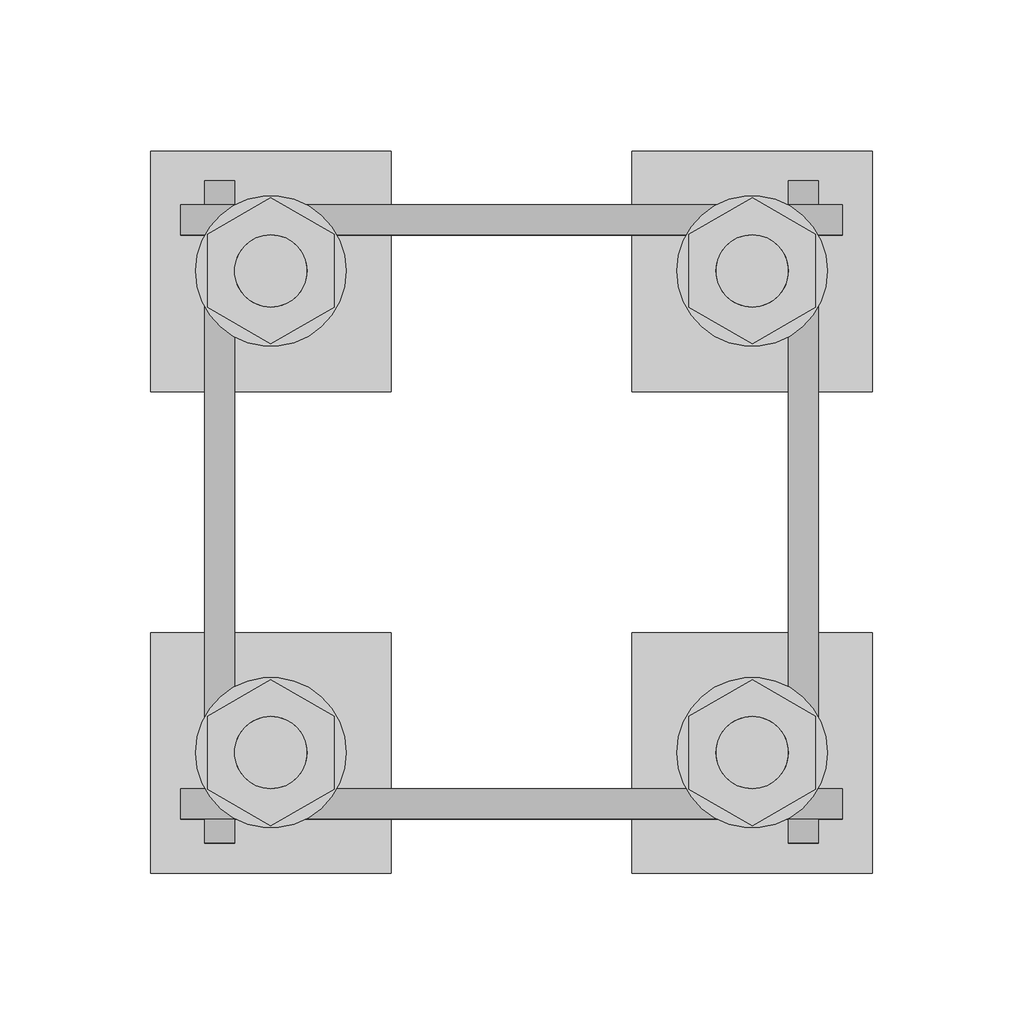
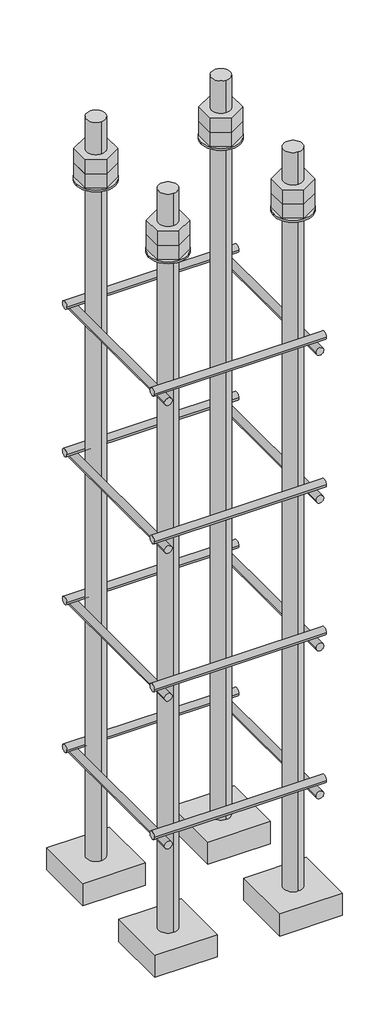
# One storey, part 10 of 66: 1 fastener.
"""IFC4 building model written with IfcOpenShell, lengths in millimetres."""

from ifc_helpers import new_model, si_unit, point, frame, frame_2d, origin, place, context, project, spatial, polyline, circle_curve, trimmed, segment, composite_curve, outline, extrude, element, save
from ifc_brep_helpers import plane_surface, cylinder_surface, advanced_brep

model = new_model("IFC4")

# Units and contexts
model_context = context("Model", 3, world=origin())
ifc_project = project(units=[si_unit("LENGTHUNIT", "METRE", prefix="MILLI")], contexts=[model_context])

# Site, building, storey
site = spatial("IfcSite", under=ifc_project)
building = spatial("IfcBuilding", under=site)
storey = spatial("IfcBuildingStorey", under=building, Elevation=9070.0)

# Fastener
placement = place(None, origin())
element("IfcFastener", 1, ObjectType="AU1 : AU-01", at=placement, inside=storey, context=model_context, shape_type="SolidModel", body=[
    extrude(outline(composite_curve([segment(trimmed(circle_curve(frame_2d((26703.0, 8395.0)), 5.0), [point((26698.0, 8395.0))], [point((26708.0, 8395.0))], False, "CARTESIAN"), True, "CONTINUOUS"), segment(trimmed(circle_curve(frame_2d((26703.0, 8395.0)), 5.0), [point((26708.0, 8395.0))], [point((26698.0, 8395.0))], False, "CARTESIAN"), True, "CONTINUOUS")], self_intersect=False)), frame((9890.0, 0.0, 0.0), z_axis=(1.0, 0.0, 0.0), x_axis=(0.0, 1.0, 0.0)), (0.0, 0.0, 1.0), 220.0),
    extrude(outline(composite_curve([segment(trimmed(circle_curve(frame_2d((26897.0, 8395.0)), 5.0), [point((26902.0, 8395.0))], [point((26892.0, 8395.0))], False, "CARTESIAN"), True, "CONTINUOUS"), segment(trimmed(circle_curve(frame_2d((26897.0, 8395.0)), 5.0), [point((26892.0, 8395.0))], [point((26902.0, 8395.0))], False, "CARTESIAN"), True, "CONTINUOUS")], self_intersect=False)), frame((9890.0, 0.0, 0.0), z_axis=(1.0, 0.0, 0.0), x_axis=(0.0, 1.0, 0.0)), (0.0, 0.0, 1.0), 220.0),
    extrude(outline(composite_curve([segment(trimmed(circle_curve(frame_2d((8385.0, 9903.0)), 5.0), [point((8385.0, 9898.0))], [point((8385.0, 9908.0))], False, "CARTESIAN"), True, "CONTINUOUS"), segment(trimmed(circle_curve(frame_2d((8385.0, 9903.0)), 5.0), [point((8385.0, 9908.0))], [point((8385.0, 9898.0))], False, "CARTESIAN"), True, "CONTINUOUS")], self_intersect=False)), frame((0.0, 26690.0, 0.0), z_axis=(0.0, 1.0, 0.0), x_axis=(0.0, 0.0, 1.0)), (0.0, 0.0, 1.0), 220.0),
    extrude(outline(composite_curve([segment(trimmed(circle_curve(frame_2d((8385.0, 10097.0)), 5.0), [point((8385.0, 10102.0))], [point((8385.0, 10092.0))], False, "CARTESIAN"), True, "CONTINUOUS"), segment(trimmed(circle_curve(frame_2d((8385.0, 10097.0)), 5.0), [point((8385.0, 10092.0))], [point((8385.0, 10102.0))], False, "CARTESIAN"), True, "CONTINUOUS")], self_intersect=False)), frame((0.0, 26690.0, 0.0), z_axis=(0.0, 1.0, 0.0), x_axis=(0.0, 0.0, 1.0)), (0.0, 0.0, 1.0), 220.0),
    extrude(outline(composite_curve([segment(trimmed(circle_curve(frame_2d((26703.0, 8595.0)), 5.0), [point((26698.0, 8595.0))], [point((26708.0, 8595.0))], False, "CARTESIAN"), True, "CONTINUOUS"), segment(trimmed(circle_curve(frame_2d((26703.0, 8595.0)), 5.0), [point((26708.0, 8595.0))], [point((26698.0, 8595.0))], False, "CARTESIAN"), True, "CONTINUOUS")], self_intersect=False)), frame((9890.0, 0.0, 0.0), z_axis=(1.0, 0.0, 0.0), x_axis=(0.0, 1.0, 0.0)), (0.0, 0.0, 1.0), 220.0),
    extrude(outline(composite_curve([segment(trimmed(circle_curve(frame_2d((26897.0, 8595.0)), 5.0), [point((26902.0, 8595.0))], [point((26892.0, 8595.0))], False, "CARTESIAN"), True, "CONTINUOUS"), segment(trimmed(circle_curve(frame_2d((26897.0, 8595.0)), 5.0), [point((26892.0, 8595.0))], [point((26902.0, 8595.0))], False, "CARTESIAN"), True, "CONTINUOUS")], self_intersect=False)), frame((9890.0, 0.0, 0.0), z_axis=(1.0, 0.0, 0.0), x_axis=(0.0, 1.0, 0.0)), (0.0, 0.0, 1.0), 220.0),
    extrude(outline(composite_curve([segment(trimmed(circle_curve(frame_2d((8585.0, 9903.0)), 5.0), [point((8585.0, 9898.0))], [point((8585.0, 9908.0))], False, "CARTESIAN"), True, "CONTINUOUS"), segment(trimmed(circle_curve(frame_2d((8585.0, 9903.0)), 5.0), [point((8585.0, 9908.0))], [point((8585.0, 9898.0))], False, "CARTESIAN"), True, "CONTINUOUS")], self_intersect=False)), frame((0.0, 26690.0, 0.0), z_axis=(0.0, 1.0, 0.0), x_axis=(0.0, 0.0, 1.0)), (0.0, 0.0, 1.0), 220.0),
    extrude(outline(composite_curve([segment(trimmed(circle_curve(frame_2d((8585.0, 10097.0)), 5.0), [point((8585.0, 10102.0))], [point((8585.0, 10092.0))], False, "CARTESIAN"), True, "CONTINUOUS"), segment(trimmed(circle_curve(frame_2d((8585.0, 10097.0)), 5.0), [point((8585.0, 10092.0))], [point((8585.0, 10102.0))], False, "CARTESIAN"), True, "CONTINUOUS")], self_intersect=False)), frame((0.0, 26690.0, 0.0), z_axis=(0.0, 1.0, 0.0), x_axis=(0.0, 0.0, 1.0)), (0.0, 0.0, 1.0), 220.0),
    extrude(outline(composite_curve([segment(trimmed(circle_curve(frame_2d((26703.0, 8795.0)), 5.0), [point((26698.0, 8795.0))], [point((26708.0, 8795.0))], False, "CARTESIAN"), True, "CONTINUOUS"), segment(trimmed(circle_curve(frame_2d((26703.0, 8795.0)), 5.0), [point((26708.0, 8795.0))], [point((26698.0, 8795.0))], False, "CARTESIAN"), True, "CONTINUOUS")], self_intersect=False)), frame((9890.0, 0.0, 0.0), z_axis=(1.0, 0.0, 0.0), x_axis=(0.0, 1.0, 0.0)), (0.0, 0.0, 1.0), 220.0),
    extrude(outline(composite_curve([segment(trimmed(circle_curve(frame_2d((26897.0, 8795.0)), 5.0), [point((26902.0, 8795.0))], [point((26892.0, 8795.0))], False, "CARTESIAN"), True, "CONTINUOUS"), segment(trimmed(circle_curve(frame_2d((26897.0, 8795.0)), 5.0), [point((26892.0, 8795.0))], [point((26902.0, 8795.0))], False, "CARTESIAN"), True, "CONTINUOUS")], self_intersect=False)), frame((9890.0, 0.0, 0.0), z_axis=(1.0, 0.0, 0.0), x_axis=(0.0, 1.0, 0.0)), (0.0, 0.0, 1.0), 220.0),
    extrude(outline(composite_curve([segment(trimmed(circle_curve(frame_2d((8785.0, 9903.0)), 5.0), [point((8785.0, 9898.0))], [point((8785.0, 9908.0))], False, "CARTESIAN"), True, "CONTINUOUS"), segment(trimmed(circle_curve(frame_2d((8785.0, 9903.0)), 5.0), [point((8785.0, 9908.0))], [point((8785.0, 9898.0))], False, "CARTESIAN"), True, "CONTINUOUS")], self_intersect=False)), frame((0.0, 26690.0, 0.0), z_axis=(0.0, 1.0, 0.0), x_axis=(0.0, 0.0, 1.0)), (0.0, 0.0, 1.0), 220.0),
    extrude(outline(composite_curve([segment(trimmed(circle_curve(frame_2d((8785.0, 10097.0)), 5.0), [point((8785.0, 10102.0))], [point((8785.0, 10092.0))], False, "CARTESIAN"), True, "CONTINUOUS"), segment(trimmed(circle_curve(frame_2d((8785.0, 10097.0)), 5.0), [point((8785.0, 10092.0))], [point((8785.0, 10102.0))], False, "CARTESIAN"), True, "CONTINUOUS")], self_intersect=False)), frame((0.0, 26690.0, 0.0), z_axis=(0.0, 1.0, 0.0), x_axis=(0.0, 0.0, 1.0)), (0.0, 0.0, 1.0), 220.0),
    extrude(outline(composite_curve([segment(trimmed(circle_curve(frame_2d((26703.0, 8995.0)), 5.0), [point((26698.0, 8995.0))], [point((26708.0, 8995.0))], False, "CARTESIAN"), True, "CONTINUOUS"), segment(trimmed(circle_curve(frame_2d((26703.0, 8995.0)), 5.0), [point((26708.0, 8995.0))], [point((26698.0, 8995.0))], False, "CARTESIAN"), True, "CONTINUOUS")], self_intersect=False)), frame((9890.0, 0.0, 0.0), z_axis=(1.0, 0.0, 0.0), x_axis=(0.0, 1.0, 0.0)), (0.0, 0.0, 1.0), 220.0),
    extrude(outline(composite_curve([segment(trimmed(circle_curve(frame_2d((26897.0, 8995.0)), 5.0), [point((26902.0, 8995.0))], [point((26892.0, 8995.0))], False, "CARTESIAN"), True, "CONTINUOUS"), segment(trimmed(circle_curve(frame_2d((26897.0, 8995.0)), 5.0), [point((26892.0, 8995.0))], [point((26902.0, 8995.0))], False, "CARTESIAN"), True, "CONTINUOUS")], self_intersect=False)), frame((9890.0, 0.0, 0.0), z_axis=(1.0, 0.0, 0.0), x_axis=(0.0, 1.0, 0.0)), (0.0, 0.0, 1.0), 220.0),
    extrude(outline(composite_curve([segment(trimmed(circle_curve(frame_2d((8985.0, 9903.0)), 5.0), [point((8985.0, 9898.0))], [point((8985.0, 9908.0))], False, "CARTESIAN"), True, "CONTINUOUS"), segment(trimmed(circle_curve(frame_2d((8985.0, 9903.0)), 5.0), [point((8985.0, 9908.0))], [point((8985.0, 9898.0))], False, "CARTESIAN"), True, "CONTINUOUS")], self_intersect=False)), frame((0.0, 26690.0, 0.0), z_axis=(0.0, 1.0, 0.0), x_axis=(0.0, 0.0, 1.0)), (0.0, 0.0, 1.0), 220.0),
    extrude(outline(composite_curve([segment(trimmed(circle_curve(frame_2d((8985.0, 10097.0)), 5.0), [point((8985.0, 10102.0))], [point((8985.0, 10092.0))], False, "CARTESIAN"), True, "CONTINUOUS"), segment(trimmed(circle_curve(frame_2d((8985.0, 10097.0)), 5.0), [point((8985.0, 10092.0))], [point((8985.0, 10102.0))], False, "CARTESIAN"), True, "CONTINUOUS")], self_intersect=False)), frame((0.0, 26690.0, 0.0), z_axis=(0.0, 1.0, 0.0), x_axis=(0.0, 0.0, 1.0)), (0.0, 0.0, 1.0), 220.0),
    advanced_brep(
    [(9960.0, 26920.0, 8250.0), (9880.0, 26920.0, 8250.0), (9880.0, 26840.0, 8250.0), (9960.0, 26840.0, 8250.0), (9920.0, 26868.0, 8250.0), (9920.0, 26892.0, 8250.0), (9960.0, 26920.0, 8220.0), (9960.0, 26840.0, 8220.0), (9880.0, 26840.0, 8220.0), (9880.0, 26920.0, 8220.0), (9920.0, 26892.0, 9250.0), (9920.0, 26868.0, 9250.0)],
    [
        (0, 1),
        (1, 2),
        (2, 3),
        (3, 0),
        (4, 5, circle_curve(frame((9920.0, 26880.0, 8250.0), z_axis=(0.0, 0.0, -1.0), x_axis=(0.0, -1.0, 0.0)), 12.0)),
        (5, 4, circle_curve(frame((9920.0, 26880.0, 8250.0), z_axis=(0.0, 0.0, -1.0), x_axis=(0.0, -1.0, 0.0)), 12.0)),
        (6, 7),
        (7, 8),
        (8, 9),
        (9, 6),
        (0, 6),
        (9, 1),
        (8, 2),
        (7, 3),
        (10, 11, circle_curve(frame((9920.0, 26880.0, 9250.0), z_axis=(0.0, 0.0, 1.0), x_axis=(0.0, -1.0, 0.0)), 12.0)),
        (11, 10, circle_curve(frame((9920.0, 26880.0, 9250.0), z_axis=(0.0, 0.0, 1.0), x_axis=(0.0, -1.0, 0.0)), 12.0)),
        (10, 5),
        (4, 11),
    ],
    [
        plane_surface(frame((9880.0, 26920.0, 8250.0), z_axis=(0.0, 0.0, 1.0), x_axis=(-1.0, 0.0, 0.0))),
        plane_surface(frame((9880.0, 26920.0, 8220.0), z_axis=(0.0, 0.0, -1.0), x_axis=(1.0, 0.0, 0.0))),
        plane_surface(frame((9960.0, 26920.0, 8250.0), z_axis=(0.0, 1.0, 0.0), x_axis=(0.0, 0.0, -1.0))),
        plane_surface(frame((9880.0, 26920.0, 8250.0), z_axis=(-1.0, 0.0, 0.0), x_axis=(0.0, 0.0, -1.0))),
        plane_surface(frame((9880.0, 26840.0, 8250.0), z_axis=(0.0, -1.0, 0.0), x_axis=(0.0, 0.0, -1.0))),
        plane_surface(frame((9960.0, 26840.0, 8250.0), z_axis=(1.0, 0.0, 0.0), x_axis=(0.0, 0.0, -1.0))),
        plane_surface(frame((9920.0, 26880.0, 9250.0), z_axis=(0.0, 0.0, 1.0), x_axis=(0.0, -1.0, 0.0))),
        cylinder_surface(frame((9920.0, 26880.0, 9250.0), z_axis=(0.0, 0.0, 1.0), x_axis=(0.0, -1.0, 0.0)), 12.0),
    ],
    [
        (0, [[1, 2, 3, 4], [5, 6]]),
        (1, [[7, 8, 9, 10]]),
        (2, [[-1, 11, -10, 12]]),
        (3, [[-2, -12, -9, 13]]),
        (4, [[-3, -13, -8, 14]]),
        (5, [[-4, -14, -7, -11]]),
        (6, [[15, 16]]),
        (7, [[-15, 17, -5, 18]]),
        (7, [[-16, -18, -6, -17]]),
    ],
),
    extrude(outline(composite_curve([segment(trimmed(circle_curve(frame_2d((9920.0, 26880.0)), 25.0), [point((9945.0, 26880.0))], [point((9895.0, 26880.0))], False, "CARTESIAN"), True, "CONTINUOUS"), segment(trimmed(circle_curve(frame_2d((9920.0, 26880.0)), 25.0), [point((9895.0, 26880.0))], [point((9945.0, 26880.0))], False, "CARTESIAN"), True, "CONTINUOUS")], self_intersect=False), holes=[composite_curve([segment(trimmed(circle_curve(frame_2d((9920.0, 26880.0)), 12.0), [point((9932.0, 26880.0))], [point((9908.0, 26880.0))], True, "CARTESIAN"), True, "CONTINUOUS"), segment(trimmed(circle_curve(frame_2d((9920.0, 26880.0)), 12.0), [point((9908.0, 26880.0))], [point((9932.0, 26880.0))], True, "CARTESIAN"), True, "CONTINUOUS")], self_intersect=False)]), frame((0.0, 0.0, 9165.0), z_axis=(0.0, 0.0, 1.0), x_axis=(1.0, 0.0, 0.0)), (0.0, 0.0, 1.0), 2.5),
    extrude(outline(polyline([(9920.0, 26904.2487113), (9941.0, 26892.1243557), (9941.0, 26867.8756443), (9920.0, 26855.7512887), (9899.0, 26867.8756443), (9899.0, 26892.1243557), (9920.0, 26904.2487113)]), holes=[composite_curve([segment(trimmed(circle_curve(frame_2d((9920.0, 26880.0)), 12.0), [point((9932.0, 26880.0))], [point((9908.0, 26880.0))], True, "CARTESIAN"), True, "CONTINUOUS"), segment(trimmed(circle_curve(frame_2d((9920.0, 26880.0)), 12.0), [point((9908.0, 26880.0))], [point((9932.0, 26880.0))], True, "CARTESIAN"), True, "CONTINUOUS")], self_intersect=False)]), frame((0.0, 0.0, 9187.0), z_axis=(0.0, 0.0, 1.0), x_axis=(1.0, 0.0, 0.0)), (0.0, 0.0, 1.0), 19.5),
    extrude(outline(polyline([(9920.0, 26904.2487113), (9941.0, 26892.1243557), (9941.0, 26867.8756443), (9920.0, 26855.7512887), (9899.0, 26867.8756443), (9899.0, 26892.1243557), (9920.0, 26904.2487113)]), holes=[composite_curve([segment(trimmed(circle_curve(frame_2d((9920.0, 26880.0)), 12.0), [point((9932.0, 26880.0))], [point((9908.0, 26880.0))], True, "CARTESIAN"), True, "CONTINUOUS"), segment(trimmed(circle_curve(frame_2d((9920.0, 26880.0)), 12.0), [point((9908.0, 26880.0))], [point((9932.0, 26880.0))], True, "CARTESIAN"), True, "CONTINUOUS")], self_intersect=False)]), frame((0.0, 0.0, 9167.5), z_axis=(0.0, 0.0, 1.0), x_axis=(1.0, 0.0, 0.0)), (0.0, 0.0, 1.0), 19.5),
    advanced_brep(
    [(10040.0, 26840.0, 8250.0), (10120.0, 26840.0, 8250.0), (10120.0, 26920.0, 8250.0), (10040.0, 26920.0, 8250.0), (10080.0, 26892.0, 8250.0), (10080.0, 26868.0, 8250.0), (10040.0, 26840.0, 8220.0), (10040.0, 26920.0, 8220.0), (10120.0, 26920.0, 8220.0), (10120.0, 26840.0, 8220.0), (10080.0, 26868.0, 9250.0), (10080.0, 26892.0, 9250.0)],
    [
        (0, 1),
        (1, 2),
        (2, 3),
        (3, 0),
        (4, 5, circle_curve(frame((10080.0, 26880.0, 8250.0), z_axis=(0.0, 0.0, -1.0), x_axis=(0.0, 1.0, 0.0)), 12.0)),
        (5, 4, circle_curve(frame((10080.0, 26880.0, 8250.0), z_axis=(0.0, 0.0, -1.0), x_axis=(0.0, 1.0, 0.0)), 12.0)),
        (6, 7),
        (7, 8),
        (8, 9),
        (9, 6),
        (0, 6),
        (9, 1),
        (8, 2),
        (7, 3),
        (10, 11, circle_curve(frame((10080.0, 26880.0, 9250.0), z_axis=(0.0, 0.0, 1.0), x_axis=(0.0, 1.0, 0.0)), 12.0)),
        (11, 10, circle_curve(frame((10080.0, 26880.0, 9250.0), z_axis=(0.0, 0.0, 1.0), x_axis=(0.0, 1.0, 0.0)), 12.0)),
        (10, 5),
        (4, 11),
    ],
    [
        plane_surface(frame((10120.0, 26840.0, 8250.0), z_axis=(0.0, 0.0, 1.0), x_axis=(1.0, 0.0, 0.0))),
        plane_surface(frame((10120.0, 26840.0, 8220.0), z_axis=(0.0, 0.0, -1.0), x_axis=(-1.0, 0.0, 0.0))),
        plane_surface(frame((10040.0, 26840.0, 8250.0), z_axis=(0.0, -1.0, 0.0), x_axis=(0.0, 0.0, -1.0))),
        plane_surface(frame((10120.0, 26840.0, 8250.0), z_axis=(1.0, 0.0, 0.0), x_axis=(0.0, 0.0, -1.0))),
        plane_surface(frame((10120.0, 26920.0, 8250.0), z_axis=(0.0, 1.0, 0.0), x_axis=(0.0, 0.0, -1.0))),
        plane_surface(frame((10040.0, 26920.0, 8250.0), z_axis=(-1.0, 0.0, 0.0), x_axis=(0.0, 0.0, -1.0))),
        plane_surface(frame((10080.0, 26880.0, 9250.0), z_axis=(0.0, 0.0, 1.0), x_axis=(0.0, 1.0, 0.0))),
        cylinder_surface(frame((10080.0, 26880.0, 9250.0), z_axis=(0.0, 0.0, 1.0), x_axis=(0.0, 1.0, 0.0)), 12.0),
    ],
    [
        (0, [[1, 2, 3, 4], [5, 6]]),
        (1, [[7, 8, 9, 10]]),
        (2, [[-1, 11, -10, 12]]),
        (3, [[-2, -12, -9, 13]]),
        (4, [[-3, -13, -8, 14]]),
        (5, [[-4, -14, -7, -11]]),
        (6, [[15, 16]]),
        (7, [[-15, 17, -5, 18]]),
        (7, [[-16, -18, -6, -17]]),
    ],
),
    extrude(outline(composite_curve([segment(trimmed(circle_curve(frame_2d((10080.0, 26880.0)), 25.0), [point((10055.0, 26880.0))], [point((10105.0, 26880.0))], False, "CARTESIAN"), True, "CONTINUOUS"), segment(trimmed(circle_curve(frame_2d((10080.0, 26880.0)), 25.0), [point((10105.0, 26880.0))], [point((10055.0, 26880.0))], False, "CARTESIAN"), True, "CONTINUOUS")], self_intersect=False), holes=[composite_curve([segment(trimmed(circle_curve(frame_2d((10080.0, 26880.0)), 12.0), [point((10068.0, 26880.0))], [point((10092.0, 26880.0))], True, "CARTESIAN"), True, "CONTINUOUS"), segment(trimmed(circle_curve(frame_2d((10080.0, 26880.0)), 12.0), [point((10092.0, 26880.0))], [point((10068.0, 26880.0))], True, "CARTESIAN"), True, "CONTINUOUS")], self_intersect=False)]), frame((0.0, 0.0, 9165.0), z_axis=(0.0, 0.0, 1.0), x_axis=(1.0, 0.0, 0.0)), (0.0, 0.0, 1.0), 2.5),
    extrude(outline(polyline([(10080.0, 26855.7512887), (10059.0, 26867.8756443), (10059.0, 26892.1243557), (10080.0, 26904.2487113), (10101.0, 26892.1243557), (10101.0, 26867.8756443), (10080.0, 26855.7512887)]), holes=[composite_curve([segment(trimmed(circle_curve(frame_2d((10080.0, 26880.0)), 12.0), [point((10068.0, 26880.0))], [point((10092.0, 26880.0))], True, "CARTESIAN"), True, "CONTINUOUS"), segment(trimmed(circle_curve(frame_2d((10080.0, 26880.0)), 12.0), [point((10092.0, 26880.0))], [point((10068.0, 26880.0))], True, "CARTESIAN"), True, "CONTINUOUS")], self_intersect=False)]), frame((0.0, 0.0, 9187.0), z_axis=(0.0, 0.0, 1.0), x_axis=(1.0, 0.0, 0.0)), (0.0, 0.0, 1.0), 19.5),
    extrude(outline(polyline([(10080.0, 26855.7512887), (10059.0, 26867.8756443), (10059.0, 26892.1243557), (10080.0, 26904.2487113), (10101.0, 26892.1243557), (10101.0, 26867.8756443), (10080.0, 26855.7512887)]), holes=[composite_curve([segment(trimmed(circle_curve(frame_2d((10080.0, 26880.0)), 12.0), [point((10068.0, 26880.0))], [point((10092.0, 26880.0))], True, "CARTESIAN"), True, "CONTINUOUS"), segment(trimmed(circle_curve(frame_2d((10080.0, 26880.0)), 12.0), [point((10092.0, 26880.0))], [point((10068.0, 26880.0))], True, "CARTESIAN"), True, "CONTINUOUS")], self_intersect=False)]), frame((0.0, 0.0, 9167.5), z_axis=(0.0, 0.0, 1.0), x_axis=(1.0, 0.0, 0.0)), (0.0, 0.0, 1.0), 19.5),
    advanced_brep(
    [(10040.0, 26680.0, 8250.0), (10120.0, 26680.0, 8250.0), (10120.0, 26760.0, 8250.0), (10040.0, 26760.0, 8250.0), (10080.0, 26732.0, 8250.0), (10080.0, 26708.0, 8250.0), (10040.0, 26680.0, 8220.0), (10040.0, 26760.0, 8220.0), (10120.0, 26760.0, 8220.0), (10120.0, 26680.0, 8220.0), (10080.0, 26708.0, 9250.0), (10080.0, 26732.0, 9250.0)],
    [
        (0, 1),
        (1, 2),
        (2, 3),
        (3, 0),
        (4, 5, circle_curve(frame((10080.0, 26720.0, 8250.0), z_axis=(0.0, 0.0, -1.0), x_axis=(0.0, 1.0, 0.0)), 12.0)),
        (5, 4, circle_curve(frame((10080.0, 26720.0, 8250.0), z_axis=(0.0, 0.0, -1.0), x_axis=(0.0, 1.0, 0.0)), 12.0)),
        (6, 7),
        (7, 8),
        (8, 9),
        (9, 6),
        (0, 6),
        (9, 1),
        (8, 2),
        (7, 3),
        (10, 11, circle_curve(frame((10080.0, 26720.0, 9250.0), z_axis=(0.0, 0.0, 1.0), x_axis=(0.0, 1.0, 0.0)), 12.0)),
        (11, 10, circle_curve(frame((10080.0, 26720.0, 9250.0), z_axis=(0.0, 0.0, 1.0), x_axis=(0.0, 1.0, 0.0)), 12.0)),
        (10, 5),
        (4, 11),
    ],
    [
        plane_surface(frame((10120.0, 26680.0, 8250.0), z_axis=(0.0, 0.0, 1.0), x_axis=(1.0, 0.0, 0.0))),
        plane_surface(frame((10120.0, 26680.0, 8220.0), z_axis=(0.0, 0.0, -1.0), x_axis=(-1.0, 0.0, 0.0))),
        plane_surface(frame((10040.0, 26680.0, 8250.0), z_axis=(0.0, -1.0, 0.0), x_axis=(0.0, 0.0, -1.0))),
        plane_surface(frame((10120.0, 26680.0, 8250.0), z_axis=(1.0, 0.0, 0.0), x_axis=(0.0, 0.0, -1.0))),
        plane_surface(frame((10120.0, 26760.0, 8250.0), z_axis=(0.0, 1.0, 0.0), x_axis=(0.0, 0.0, -1.0))),
        plane_surface(frame((10040.0, 26760.0, 8250.0), z_axis=(-1.0, 0.0, 0.0), x_axis=(0.0, 0.0, -1.0))),
        plane_surface(frame((10080.0, 26720.0, 9250.0), z_axis=(0.0, 0.0, 1.0), x_axis=(0.0, 1.0, 0.0))),
        cylinder_surface(frame((10080.0, 26720.0, 9250.0), z_axis=(0.0, 0.0, 1.0), x_axis=(0.0, 1.0, 0.0)), 12.0),
    ],
    [
        (0, [[1, 2, 3, 4], [5, 6]]),
        (1, [[7, 8, 9, 10]]),
        (2, [[-1, 11, -10, 12]]),
        (3, [[-2, -12, -9, 13]]),
        (4, [[-3, -13, -8, 14]]),
        (5, [[-4, -14, -7, -11]]),
        (6, [[15, 16]]),
        (7, [[-15, 17, -5, 18]]),
        (7, [[-16, -18, -6, -17]]),
    ],
),
    extrude(outline(composite_curve([segment(trimmed(circle_curve(frame_2d((10080.0, 26720.0)), 25.0), [point((10055.0, 26720.0))], [point((10105.0, 26720.0))], False, "CARTESIAN"), True, "CONTINUOUS"), segment(trimmed(circle_curve(frame_2d((10080.0, 26720.0)), 25.0), [point((10105.0, 26720.0))], [point((10055.0, 26720.0))], False, "CARTESIAN"), True, "CONTINUOUS")], self_intersect=False), holes=[composite_curve([segment(trimmed(circle_curve(frame_2d((10080.0, 26720.0)), 12.0), [point((10068.0, 26720.0))], [point((10092.0, 26720.0))], True, "CARTESIAN"), True, "CONTINUOUS"), segment(trimmed(circle_curve(frame_2d((10080.0, 26720.0)), 12.0), [point((10092.0, 26720.0))], [point((10068.0, 26720.0))], True, "CARTESIAN"), True, "CONTINUOUS")], self_intersect=False)]), frame((0.0, 0.0, 9165.0), z_axis=(0.0, 0.0, 1.0), x_axis=(1.0, 0.0, 0.0)), (0.0, 0.0, 1.0), 2.5),
    extrude(outline(polyline([(10080.0, 26695.7512887), (10059.0, 26707.8756443), (10059.0, 26732.1243557), (10080.0, 26744.2487113), (10101.0, 26732.1243557), (10101.0, 26707.8756443), (10080.0, 26695.7512887)]), holes=[composite_curve([segment(trimmed(circle_curve(frame_2d((10080.0, 26720.0)), 12.0), [point((10068.0, 26720.0))], [point((10092.0, 26720.0))], True, "CARTESIAN"), True, "CONTINUOUS"), segment(trimmed(circle_curve(frame_2d((10080.0, 26720.0)), 12.0), [point((10092.0, 26720.0))], [point((10068.0, 26720.0))], True, "CARTESIAN"), True, "CONTINUOUS")], self_intersect=False)]), frame((0.0, 0.0, 9187.0), z_axis=(0.0, 0.0, 1.0), x_axis=(1.0, 0.0, 0.0)), (0.0, 0.0, 1.0), 19.5),
    extrude(outline(polyline([(10080.0, 26695.7512887), (10059.0, 26707.8756443), (10059.0, 26732.1243557), (10080.0, 26744.2487113), (10101.0, 26732.1243557), (10101.0, 26707.8756443), (10080.0, 26695.7512887)]), holes=[composite_curve([segment(trimmed(circle_curve(frame_2d((10080.0, 26720.0)), 12.0), [point((10068.0, 26720.0))], [point((10092.0, 26720.0))], True, "CARTESIAN"), True, "CONTINUOUS"), segment(trimmed(circle_curve(frame_2d((10080.0, 26720.0)), 12.0), [point((10092.0, 26720.0))], [point((10068.0, 26720.0))], True, "CARTESIAN"), True, "CONTINUOUS")], self_intersect=False)]), frame((0.0, 0.0, 9167.5), z_axis=(0.0, 0.0, 1.0), x_axis=(1.0, 0.0, 0.0)), (0.0, 0.0, 1.0), 19.5),
    advanced_brep(
    [(9960.0, 26760.0, 8250.0), (9880.0, 26760.0, 8250.0), (9880.0, 26680.0, 8250.0), (9960.0, 26680.0, 8250.0), (9920.0, 26708.0, 8250.0), (9920.0, 26732.0, 8250.0), (9960.0, 26760.0, 8220.0), (9960.0, 26680.0, 8220.0), (9880.0, 26680.0, 8220.0), (9880.0, 26760.0, 8220.0), (9920.0, 26732.0, 9250.0), (9920.0, 26708.0, 9250.0)],
    [
        (0, 1),
        (1, 2),
        (2, 3),
        (3, 0),
        (4, 5, circle_curve(frame((9920.0, 26720.0, 8250.0), z_axis=(0.0, 0.0, -1.0), x_axis=(0.0, -1.0, 0.0)), 12.0)),
        (5, 4, circle_curve(frame((9920.0, 26720.0, 8250.0), z_axis=(0.0, 0.0, -1.0), x_axis=(0.0, -1.0, 0.0)), 12.0)),
        (6, 7),
        (7, 8),
        (8, 9),
        (9, 6),
        (0, 6),
        (9, 1),
        (8, 2),
        (7, 3),
        (10, 11, circle_curve(frame((9920.0, 26720.0, 9250.0), z_axis=(0.0, 0.0, 1.0), x_axis=(0.0, -1.0, 0.0)), 12.0)),
        (11, 10, circle_curve(frame((9920.0, 26720.0, 9250.0), z_axis=(0.0, 0.0, 1.0), x_axis=(0.0, -1.0, 0.0)), 12.0)),
        (10, 5),
        (4, 11),
    ],
    [
        plane_surface(frame((9880.0, 26760.0, 8250.0), z_axis=(0.0, 0.0, 1.0), x_axis=(-1.0, 0.0, 0.0))),
        plane_surface(frame((9880.0, 26760.0, 8220.0), z_axis=(0.0, 0.0, -1.0), x_axis=(1.0, 0.0, 0.0))),
        plane_surface(frame((9960.0, 26760.0, 8250.0), z_axis=(0.0, 1.0, 0.0), x_axis=(0.0, 0.0, -1.0))),
        plane_surface(frame((9880.0, 26760.0, 8250.0), z_axis=(-1.0, 0.0, 0.0), x_axis=(0.0, 0.0, -1.0))),
        plane_surface(frame((9880.0, 26680.0, 8250.0), z_axis=(0.0, -1.0, 0.0), x_axis=(0.0, 0.0, -1.0))),
        plane_surface(frame((9960.0, 26680.0, 8250.0), z_axis=(1.0, 0.0, 0.0), x_axis=(0.0, 0.0, -1.0))),
        plane_surface(frame((9920.0, 26720.0, 9250.0), z_axis=(0.0, 0.0, 1.0), x_axis=(0.0, -1.0, 0.0))),
        cylinder_surface(frame((9920.0, 26720.0, 9250.0), z_axis=(0.0, 0.0, 1.0), x_axis=(0.0, -1.0, 0.0)), 12.0),
    ],
    [
        (0, [[1, 2, 3, 4], [5, 6]]),
        (1, [[7, 8, 9, 10]]),
        (2, [[-1, 11, -10, 12]]),
        (3, [[-2, -12, -9, 13]]),
        (4, [[-3, -13, -8, 14]]),
        (5, [[-4, -14, -7, -11]]),
        (6, [[15, 16]]),
        (7, [[-15, 17, -5, 18]]),
        (7, [[-16, -18, -6, -17]]),
    ],
),
    extrude(outline(composite_curve([segment(trimmed(circle_curve(frame_2d((9920.0, 26720.0)), 25.0), [point((9945.0, 26720.0))], [point((9895.0, 26720.0))], False, "CARTESIAN"), True, "CONTINUOUS"), segment(trimmed(circle_curve(frame_2d((9920.0, 26720.0)), 25.0), [point((9895.0, 26720.0))], [point((9945.0, 26720.0))], False, "CARTESIAN"), True, "CONTINUOUS")], self_intersect=False), holes=[composite_curve([segment(trimmed(circle_curve(frame_2d((9920.0, 26720.0)), 12.0), [point((9932.0, 26720.0))], [point((9908.0, 26720.0))], True, "CARTESIAN"), True, "CONTINUOUS"), segment(trimmed(circle_curve(frame_2d((9920.0, 26720.0)), 12.0), [point((9908.0, 26720.0))], [point((9932.0, 26720.0))], True, "CARTESIAN"), True, "CONTINUOUS")], self_intersect=False)]), frame((0.0, 0.0, 9165.0), z_axis=(0.0, 0.0, 1.0), x_axis=(1.0, 0.0, 0.0)), (0.0, 0.0, 1.0), 2.5),
    extrude(outline(polyline([(9920.0, 26744.2487113), (9941.0, 26732.1243557), (9941.0, 26707.8756443), (9920.0, 26695.7512887), (9899.0, 26707.8756443), (9899.0, 26732.1243557), (9920.0, 26744.2487113)]), holes=[composite_curve([segment(trimmed(circle_curve(frame_2d((9920.0, 26720.0)), 12.0), [point((9932.0, 26720.0))], [point((9908.0, 26720.0))], True, "CARTESIAN"), True, "CONTINUOUS"), segment(trimmed(circle_curve(frame_2d((9920.0, 26720.0)), 12.0), [point((9908.0, 26720.0))], [point((9932.0, 26720.0))], True, "CARTESIAN"), True, "CONTINUOUS")], self_intersect=False)]), frame((0.0, 0.0, 9187.0), z_axis=(0.0, 0.0, 1.0), x_axis=(1.0, 0.0, 0.0)), (0.0, 0.0, 1.0), 19.5),
    extrude(outline(polyline([(9920.0, 26744.2487113), (9941.0, 26732.1243557), (9941.0, 26707.8756443), (9920.0, 26695.7512887), (9899.0, 26707.8756443), (9899.0, 26732.1243557), (9920.0, 26744.2487113)]), holes=[composite_curve([segment(trimmed(circle_curve(frame_2d((9920.0, 26720.0)), 12.0), [point((9932.0, 26720.0))], [point((9908.0, 26720.0))], True, "CARTESIAN"), True, "CONTINUOUS"), segment(trimmed(circle_curve(frame_2d((9920.0, 26720.0)), 12.0), [point((9908.0, 26720.0))], [point((9932.0, 26720.0))], True, "CARTESIAN"), True, "CONTINUOUS")], self_intersect=False)]), frame((0.0, 0.0, 9167.5), z_axis=(0.0, 0.0, 1.0), x_axis=(1.0, 0.0, 0.0)), (0.0, 0.0, 1.0), 19.5),
])

save(model, "model.ifc")
